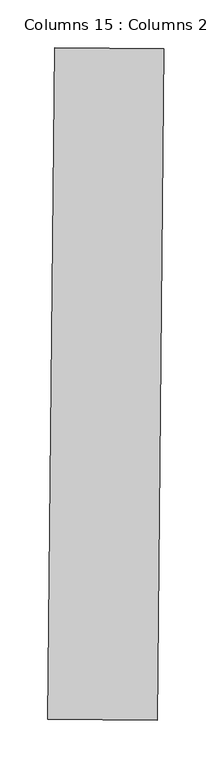
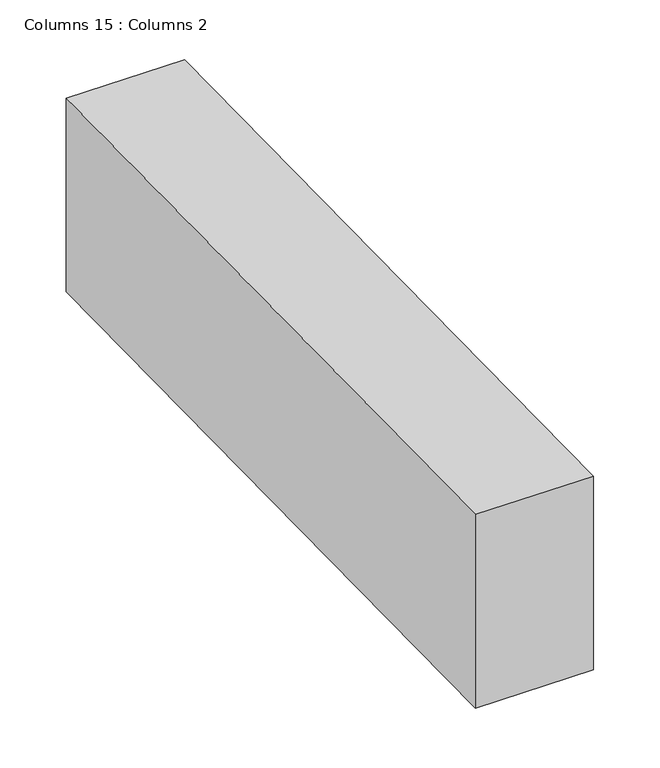
"""IFC4 building model written with IfcOpenShell, lengths in millimetres: column geometry, Columns 15 : Columns 2."""

import ifcopenshell
import ifcopenshell.guid

model = None  # the IFC model being written
_history = None  # IfcOwnerHistory: only IFC2X3 demands one
_inside = {}  # id of a spatial element -> (the spatial element, [elements in it])
_under = {}  # id of a project, library or spatial element -> (it, [spatial elements below it])
_declared = {}  # id of a project -> (the project, [libraries it declares])
_typed = {}  # id of a type object -> (the type object, [elements of that type])
_made_of = {}  # id of a material, layer set ... -> (it, [elements and type objects made of it])


def new_model(schema):
    """Start an empty IFC model of exactly this schema.

    Asked for "IFC4X3", IfcOpenShell would pick the latest addendum, in which some entities
    have other attributes; the version numbers below select the first issue.
    IFC2X3 requires an IfcOwnerHistory on every rooted entity: one is made here for all.
    """
    global model, _history
    if schema == "IFC4X3":
        model = ifcopenshell.file(schema_version=(4, 3, 0, 0))
    else:
        model = ifcopenshell.file(schema=schema)
    _inside.clear()
    _under.clear()
    _declared.clear()
    _typed.clear()
    _made_of.clear()
    _history = None
    if model.schema == "IFC2X3":
        org = make("IfcOrganization", Name="unknown")
        user = make(
            "IfcPersonAndOrganization",
            ThePerson=make("IfcPerson", FamilyName="unknown"),
            TheOrganization=org,
        )
        app = make(
            "IfcApplication",
            ApplicationDeveloper=org,
            Version="unknown",
            ApplicationFullName="unknown",
            ApplicationIdentifier="unknown",
        )
        _history = make(
            "IfcOwnerHistory",
            OwningUser=user,
            OwningApplication=app,
            ChangeAction="ADDED",
            CreationDate=0,
        )
    return model


def make(cls, **values):
    """One entity of the class cls with the attributes given. An attribute that is None is left unset."""
    return model.create_entity(
        cls, **{name: value for name, value in values.items() if value is not None}
    )


def rooted(cls, **values):
    """An entity with a GlobalId (a new one), such as an element, a storey or a relation."""
    return make(cls, GlobalId=ifcopenshell.guid.new(), OwnerHistory=_history, **values)


def si_unit(unit_type, name, prefix=None):
    """IfcSIUnit, for example si_unit("LENGTHUNIT", "METRE", prefix="MILLI")."""
    return make("IfcSIUnit", UnitType=unit_type, Prefix=prefix, Name=name)


def assignment(units):
    """IfcUnitAssignment: the units of a project."""
    return None if units is None else make("IfcUnitAssignment", Units=units)


def point(xyz):
    """IfcCartesianPoint."""
    return None if xyz is None else make("IfcCartesianPoint", Coordinates=xyz)


def direction(xyz):
    """IfcDirection."""
    return None if xyz is None else make("IfcDirection", DirectionRatios=xyz)


def frame(location, z_axis=None, x_axis=None):
    """IfcAxis2Placement3D, a coordinate frame: its origin and axes. An axis left out is left unset."""
    return make(
        "IfcAxis2Placement3D",
        Location=point(location),
        Axis=direction(z_axis),
        RefDirection=direction(x_axis),
    )


def origin():
    """The frame at (0, 0, 0) with its axes left unset."""
    return frame((0.0, 0.0, 0.0))


def place(relative_to, where):
    """IfcLocalPlacement: puts the frame where relative to a parent placement (None: the world)."""
    return make(
        "IfcLocalPlacement", PlacementRelTo=relative_to, RelativePlacement=where
    )


def context(
    kind, dimensions, precision=None, world=None, true_north=None, identifier=None
):
    """IfcGeometricRepresentationContext, for example the 3D "Model" context."""
    return make(
        "IfcGeometricRepresentationContext",
        ContextIdentifier=identifier,
        ContextType=kind,
        CoordinateSpaceDimension=dimensions,
        Precision=precision,
        WorldCoordinateSystem=world,
        TrueNorth=true_north,
    )


def project(units=None, contexts=None):
    """IfcProject with its units and contexts."""
    return rooted(
        "IfcProject",
        Name="project",
        RepresentationContexts=contexts,
        UnitsInContext=assignment(units),
    )


def spatial(cls, under=None, at=None, **own):
    """A site, building, storey or space (cls), placed at a placement, below another one or the project."""
    s = rooted(cls, ObjectPlacement=at, **own)
    if under is not None:
        _under.setdefault(under.id(), (under, []))[1].append(s)
    return s


def polyline(points):
    """IfcPolyline through the points."""
    return make("IfcPolyline", Points=[point(p) for p in points])


def outline(outer, holes=None, kind="AREA"):
    """IfcArbitraryClosedProfileDef: a profile drawn as a closed curve; with holes, ...WithVoids."""
    if holes is None:
        return make("IfcArbitraryClosedProfileDef", ProfileType=kind, OuterCurve=outer)
    return make(
        "IfcArbitraryProfileDefWithVoids",
        ProfileType=kind,
        OuterCurve=outer,
        InnerCurves=holes,
    )


def extrude(swept, where, along, depth):
    """IfcExtrudedAreaSolid: the profile swept, set in the frame where, extruded along a direction by depth."""
    return make(
        "IfcExtrudedAreaSolid",
        SweptArea=swept,
        Position=where,
        ExtrudedDirection=direction(along),
        Depth=depth,
    )


def shape(context_of_items, identifier, shape_type, items):
    """IfcShapeRepresentation: the items that make up one representation, for example the "Body"."""
    return make(
        "IfcShapeRepresentation",
        ContextOfItems=context_of_items,
        RepresentationIdentifier=identifier,
        RepresentationType=shape_type,
        Items=items,
    )


def source(mapping_origin, context_of_items, identifier, shape_type, items):
    """IfcRepresentationMap: a shape defined once, which mapped items show again and again."""
    return make(
        "IfcRepresentationMap",
        MappingOrigin=mapping_origin,
        MappedRepresentation=shape(context_of_items, identifier, shape_type, items),
    )


def transform(
    local_origin,
    x_axis=None,
    y_axis=None,
    z_axis=None,
    scale=None,
    scale2=None,
    scale3=None,
    uniform=True,
):
    """IfcCartesianTransformationOperator3D, or its non-uniform kind. x_axis, y_axis, z_axis: its Axis1, 2, 3."""
    if uniform:
        return make(
            "IfcCartesianTransformationOperator3D",
            Axis1=direction(x_axis),
            Axis2=direction(y_axis),
            LocalOrigin=point(local_origin),
            Scale=scale,
            Axis3=direction(z_axis),
        )
    return make(
        "IfcCartesianTransformationOperator3DnonUniform",
        Axis1=direction(x_axis),
        Axis2=direction(y_axis),
        LocalOrigin=point(local_origin),
        Scale=scale,
        Axis3=direction(z_axis),
        Scale2=scale2,
        Scale3=scale3,
    )


def mapped(mapping_source, mapping_target):
    """IfcMappedItem: shows the shape of a source again, moved by a transform."""
    return make(
        "IfcMappedItem", MappingSource=mapping_source, MappingTarget=mapping_target
    )


def made_of(thing, what):
    """Note that an element or type object is made of a material, layer set ...; save() writes the relation."""
    if what is not None:
        _made_of.setdefault(what.id(), (what, []))[1].append(thing)
    return thing


def element(
    cls,
    number,
    at=None,
    inside=None,
    cuts=None,
    type_object=None,
    material=None,
    context=None,
    identifier="Body",
    shape_type=None,
    held_by="IfcProductDefinitionShape",
    body=None,
    shapes=None,
    **own,
):
    """One element of the class cls, such as IfcWall. Its Tag is "e" and its number.

    at: its placement. inside: the storey or other place that contains it. cuts: it is an
    opening in that element (IfcRelVoidsElement). A single representation is given by context,
    identifier, shape_type and body (its items); several are given by shapes. held_by: the class
    of the entity that holds the representations. save() writes the other relations.
    """
    e = rooted(cls, Tag="e%d" % number, ObjectPlacement=at, **own)
    if body is not None:
        shapes = [shape(context, identifier, shape_type, body)]
    if shapes is not None:
        e.Representation = make(held_by, Representations=shapes)
    if inside is not None:
        _inside.setdefault(inside.id(), (inside, []))[1].append(e)
    if cuts is not None:
        rooted(
            "IfcRelVoidsElement", RelatingBuildingElement=cuts, RelatedOpeningElement=e
        )
    if type_object is not None:
        _typed.setdefault(type_object.id(), (type_object, []))[1].append(e)
    return made_of(e, material)


def aggregate(whole, parts):
    """IfcRelAggregates: a whole, such as a stair, and the parts it consists of."""
    return rooted("IfcRelAggregates", RelatingObject=whole, RelatedObjects=parts)


def save(model, path):
    """Write the relations noted so far, then the file.

    IfcRelAggregates (storeys below a building ...), IfcRelContainedInSpatialStructure (elements
    in a storey), IfcRelDefinesByType, IfcRelAssociatesMaterial and IfcRelDeclares: one each for
    every whole, place, type object, material and project.
    """
    for whole, parts in _under.values():
        aggregate(whole, parts)
    for where, things in _inside.values():
        rooted(
            "IfcRelContainedInSpatialStructure",
            RelatedElements=things,
            RelatingStructure=where,
        )
    for kind, things in _typed.values():
        rooted("IfcRelDefinesByType", RelatedObjects=things, RelatingType=kind)
    for what, things in _made_of.values():
        rooted("IfcRelAssociatesMaterial", RelatedObjects=things, RelatingMaterial=what)
    for by, libraries in _declared.values():
        rooted("IfcRelDeclares", RelatingContext=by, RelatedDefinitions=libraries)
    model.write(path)


def columns_15_columns_2_4dd07e62(model_context):
    return source(origin(), model_context, "Body", "SweptSolid", [
        extrude(outline(polyline([(-40906.8302901, 39147.549567), (-40899.7800451, 39850.2239896), (-40785.3882898, 39849.0762462), (-40792.4385348, 39146.4018236), (-40906.8302901, 39147.549567)])), frame((0.0, 0.0, 108538.0893746), z_axis=(0.0, 0.0, 1.0), x_axis=(1.0, 0.0, 0.0)), (0.0, 0.0, 1.0), 199.635173),
    ])


if __name__ == "__main__":
    model = new_model("IFC4")
    model_context = context("Model", 3, world=origin())
    ifc_project = project(units=[si_unit("LENGTHUNIT", "METRE", prefix="MILLI")], contexts=[model_context])
    site = spatial("IfcSite", under=ifc_project)
    building = spatial("IfcBuilding", under=site)
    placement = place(None, origin())
    columns_15_columns_2_shape = columns_15_columns_2_4dd07e62(model_context)
    element("IfcColumn", 1, ObjectType="Columns 15 : Columns 2", at=placement, inside=building, context=model_context, shape_type="MappedRepresentation", body=[
        mapped(columns_15_columns_2_shape, transform((0.0, 0.0, 0.0), x_axis=(1.0, 0.0, 0.0), y_axis=(0.0, 1.0, 0.0), z_axis=(0.0, 0.0, 1.0))),
    ])
    save(model, "model.ifc")
